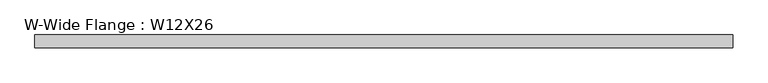
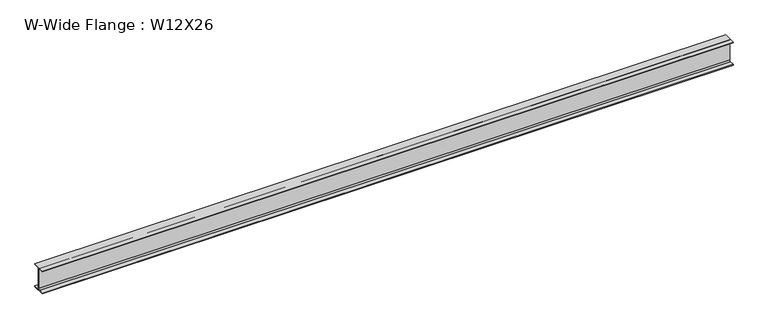
"""IFC4 building model written with IfcOpenShell, lengths in millimetres: beam geometry, W-Wide Flange : W12X26."""

from ifc_helpers import new_model, si_unit, point, frame, frame_2d, origin, place, context, project, spatial, polyline, circle_curve, trimmed, segment, composite_curve, outline, extrude, source, transform, mapped, element, save


def w_wide_flange_w12x26_45da67a8(model_context):
    return source(origin(), model_context, "Body", "SweptSolid", [
        extrude(outline(composite_curve([segment(polyline([(82.4011719, -145.5539063), (82.4011719, -155.178125), (-82.4011719, -155.178125), (-82.4011719, -145.5539063), (-20.2902344, -145.5539063)]), True, "CONTINUOUS"), segment(trimmed(circle_curve(frame_2d((-20.2902344, -128.190625)), 17.3632812), [point((-20.2902344, -145.5539063))], [point((-2.9269531, -128.190625))], True, "CARTESIAN"), True, "CONTINUOUS"), segment(polyline([(-2.9269531, -128.190625), (-2.9269531, 128.190625)]), True, "CONTINUOUS"), segment(trimmed(circle_curve(frame_2d((-20.2902344, 128.190625)), 17.3632812), [point((-2.9269531, 128.190625))], [point((-20.2902344, 145.5539062))], True, "CARTESIAN"), True, "CONTINUOUS"), segment(polyline([(-20.2902344, 145.5539062), (-82.4011719, 145.5539062), (-82.4011719, 155.178125), (82.4011719, 155.178125), (82.4011719, 145.5539062), (20.2902344, 145.5539062)]), True, "CONTINUOUS"), segment(trimmed(circle_curve(frame_2d((20.2902344, 128.190625)), 17.3632812), [point((20.2902344, 145.5539062))], [point((2.9269531, 128.190625))], True, "CARTESIAN"), True, "CONTINUOUS"), segment(polyline([(2.9269531, 128.190625), (2.9269531, -128.190625)]), True, "CONTINUOUS"), segment(trimmed(circle_curve(frame_2d((20.2902344, -128.190625)), 17.3632812), [point((2.9269531, -128.190625))], [point((20.2902344, -145.5539063))], True, "CARTESIAN"), True, "CONTINUOUS"), segment(polyline([(20.2902344, -145.5539063), (82.4011719, -145.5539063)]), True, "CONTINUOUS")], self_intersect=False)), frame((-4431.2333984, 0.0, 0.0), z_axis=(1.0, 0.0, 0.0), x_axis=(0.0, 1.0, 0.0)), (0.0, 0.0, 1.0), 8859.5398437),
    ])


if __name__ == "__main__":
    model = new_model("IFC4")
    model_context = context("Model", 3, world=origin())
    ifc_project = project(units=[si_unit("LENGTHUNIT", "METRE", prefix="MILLI")], contexts=[model_context])
    site = spatial("IfcSite", under=ifc_project)
    building = spatial("IfcBuilding", under=site)
    placement = place(None, origin())
    w_wide_flange_w12x26_shape = w_wide_flange_w12x26_45da67a8(model_context)
    element("IfcBeam", 1, ObjectType="W-Wide Flange : W12X26", at=placement, inside=building, context=model_context, shape_type="MappedRepresentation", body=[
        mapped(w_wide_flange_w12x26_shape, transform((0.0, 0.0, 0.0), x_axis=(1.0, 0.0, 0.0), y_axis=(0.0, 1.0, 0.0), z_axis=(0.0, 0.0, 1.0))),
    ])
    save(model, "model.ifc")
